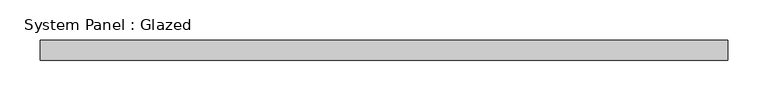
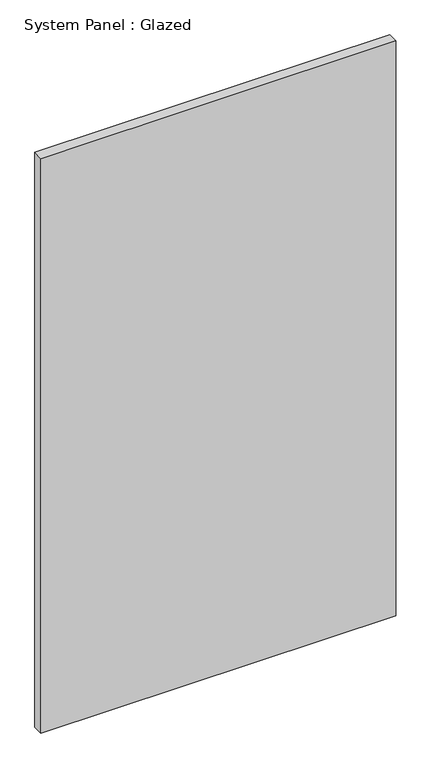
"""IFC4 building model written with IfcOpenShell, lengths in millimetres: plate geometry, System Panel : Glazed."""

from ifc_helpers import new_model, si_unit, origin, origin_with_axes, place, context, project, spatial, polyline, outline, extrude, source, transform, mapped, element, save


def system_panel_glazed_0a4f5a59(model_context):
    return source(origin(), model_context, "Body", "SweptSolid", [
        extrude(outline(polyline([(428.625, -44.45), (-428.625, -44.45), (-428.625, -19.05), (428.625, -19.05), (428.625, -44.45)])), origin_with_axes(), (0.0, 0.0, 1.0), 1466.85),
    ])


if __name__ == "__main__":
    model = new_model("IFC4")
    model_context = context("Model", 3, world=origin())
    ifc_project = project(units=[si_unit("LENGTHUNIT", "METRE", prefix="MILLI")], contexts=[model_context])
    site = spatial("IfcSite", under=ifc_project)
    building = spatial("IfcBuilding", under=site)
    placement = place(None, origin())
    system_panel_glazed_shape = system_panel_glazed_0a4f5a59(model_context)
    element("IfcPlate", 1, ObjectType="System Panel : Glazed", at=placement, inside=building, context=model_context, shape_type="MappedRepresentation", body=[
        mapped(system_panel_glazed_shape, transform((0.0, 0.0, 0.0), x_axis=(1.0, 0.0, 0.0), y_axis=(0.0, 1.0, 0.0), z_axis=(0.0, 0.0, 1.0))),
    ])
    save(model, "model.ifc")
